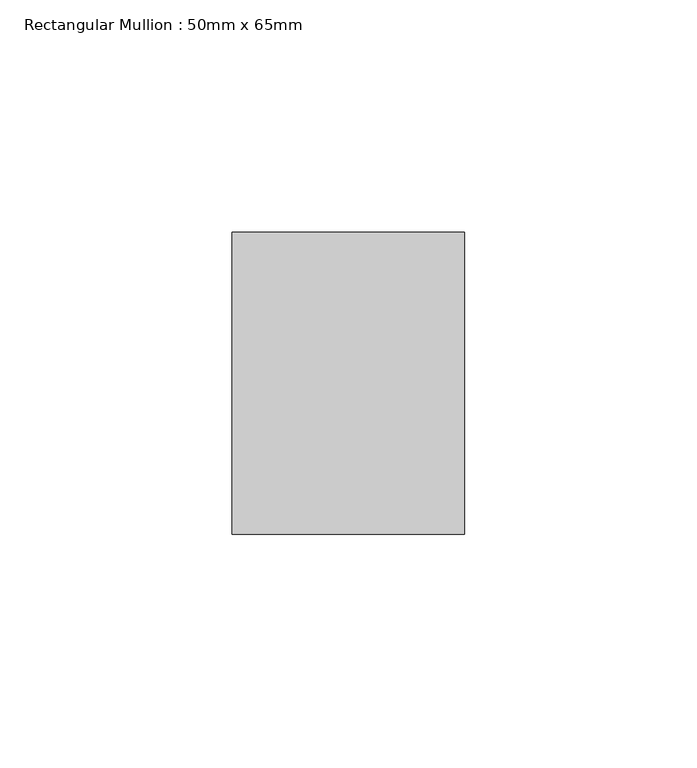
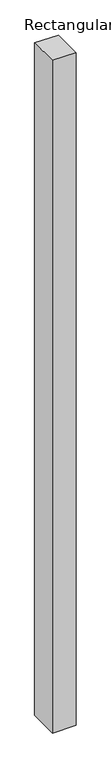
"""IFC4 building model written with IfcOpenShell, lengths in millimetres: member geometry, Rectangular Mullion : 50mm x 65mm."""

from ifc_helpers import new_model, si_unit, origin, place, context, project, spatial, faceted_brep, source, transform, mapped, element, save


def rectangular_mullion_50mm_x_65mm_fb109cd3(model_context):
    return source(origin(), model_context, "Body", "Brep", [
        faceted_brep([(-25.0, 32.5, -0.107331), (25.0, 32.5, -0.1073302), (25.0, 32.5, -1499.9556726), (-25.0, 32.5, -1499.9556723), (-25.0, -32.5, 0.1073302), (-25.0, -32.5, -1500.0443448), (25.0, -32.5, 0.107331), (25.0, -32.5, -1500.0443452)], [[[0, 1, 2, 3]], [[4, 0, 3, 5]], [[6, 4, 5, 7]], [[1, 6, 7, 2]], [[1, 0, 4, 6]], [[2, 7, 5, 3]]]),
    ])


if __name__ == "__main__":
    model = new_model("IFC4")
    model_context = context("Model", 3, world=origin())
    ifc_project = project(units=[si_unit("LENGTHUNIT", "METRE", prefix="MILLI")], contexts=[model_context])
    site = spatial("IfcSite", under=ifc_project)
    building = spatial("IfcBuilding", under=site)
    placement = place(None, origin())
    rectangular_mullion_50mm_x_65mm_shape = rectangular_mullion_50mm_x_65mm_fb109cd3(model_context)
    element("IfcMember", 1, ObjectType="Rectangular Mullion : 50mm x 65mm", at=placement, inside=building, context=model_context, shape_type="MappedRepresentation", body=[
        mapped(rectangular_mullion_50mm_x_65mm_shape, transform((0.0, 0.0, 0.0), x_axis=(1.0, 0.0, 0.0), y_axis=(0.0, 1.0, 0.0), z_axis=(0.0, 0.0, 1.0))),
    ])
    save(model, "model.ifc")
